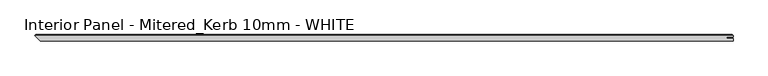
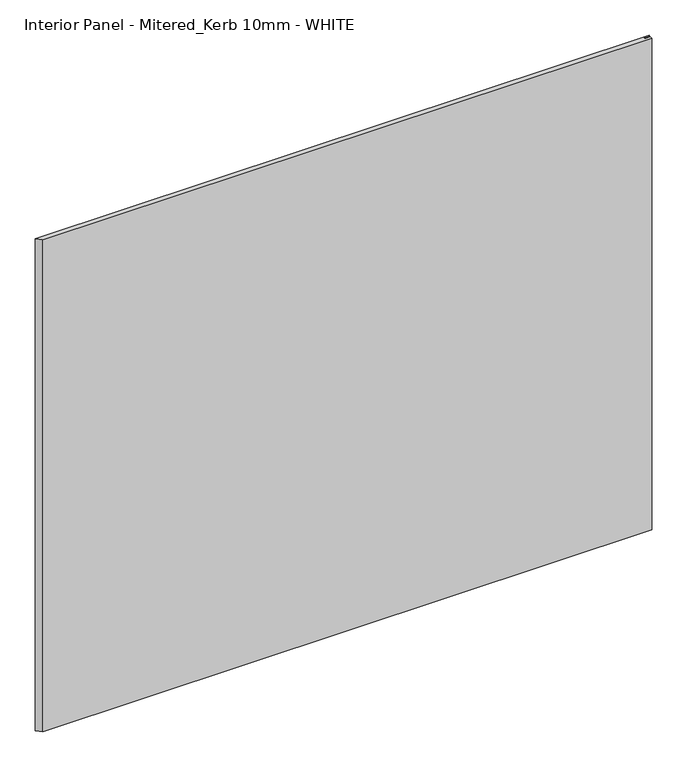
"""IFC4 building model written with IfcOpenShell, lengths in millimetres: proxy geometry, Interior Panel - Mitered_Kerb 10mm - WHITE."""

from ifc_helpers import new_model, si_unit, origin, place, context, project, spatial, faceted_brep, source, transform, mapped, element, save


def interior_panel_mitered_kerb_10mm_white_6b66262e(model_context):
    return source(origin(), model_context, "Body", "Brep", [
        faceted_brep([(1006.078125, -3.175, 914.4), (1006.078125, 0.5207, 914.4), (996.2554687, 0.5207, 914.4), (996.2554687, 2.6543, 914.4), (1006.078125, 2.6543, 914.4), (1006.078125, 4.7625, 914.4), (-73.025, 4.7625, 914.4), (-65.0875, -3.175, 914.4), (1006.078125, -3.175, 0.0), (-65.0875, -3.175, 0.0), (-73.025, 4.7625, 0.0), (1006.078125, 4.7625, 0.0), (1006.078125, 2.6543, 0.0), (996.2554687, 2.6543, 0.0), (996.2554687, 0.5207, 0.0), (1006.078125, 0.5207, 0.0), (-71.4375, 6.35, 912.8125), (1004.490625, 6.35, 912.8125), (1004.490625, 6.35, 1.5875), (-71.4375, 6.35, 1.5875)], [[[0, 1, 2, 3, 4, 5, 6, 7]], [[8, 9, 10, 11, 12, 13, 14, 15]], [[7, 9, 8, 0]], [[16, 17, 18, 19]], [[4, 12, 11, 5]], [[11, 18, 17, 5]], [[5, 17, 16, 6]], [[10, 19, 18, 11]], [[3, 13, 12, 4]], [[2, 14, 13, 3]], [[1, 15, 14, 2]], [[0, 8, 15, 1]], [[6, 10, 9, 7]], [[6, 16, 19, 10]]]),
    ])


if __name__ == "__main__":
    model = new_model("IFC4")
    model_context = context("Model", 3, world=origin())
    ifc_project = project(units=[si_unit("LENGTHUNIT", "METRE", prefix="MILLI")], contexts=[model_context])
    site = spatial("IfcSite", under=ifc_project)
    building = spatial("IfcBuilding", under=site)
    placement = place(None, origin())
    interior_panel_mitered_kerb_10mm_white_shape = interior_panel_mitered_kerb_10mm_white_6b66262e(model_context)
    element("IfcBuildingElementProxy", 1, Name="Interior Panel - Mitered_Kerb 10mm - WHITE", ObjectType="Interior Panel - Mitered_Kerb 10mm - WHITE", at=placement, inside=building, context=model_context, shape_type="MappedRepresentation", body=[
        mapped(interior_panel_mitered_kerb_10mm_white_shape, transform((0.0, 0.0, 0.0), x_axis=(1.0, 0.0, 0.0), y_axis=(0.0, 1.0, 0.0), z_axis=(0.0, 0.0, 1.0))),
    ])
    save(model, "model.ifc")
